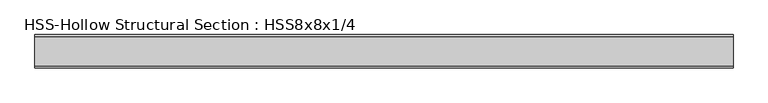
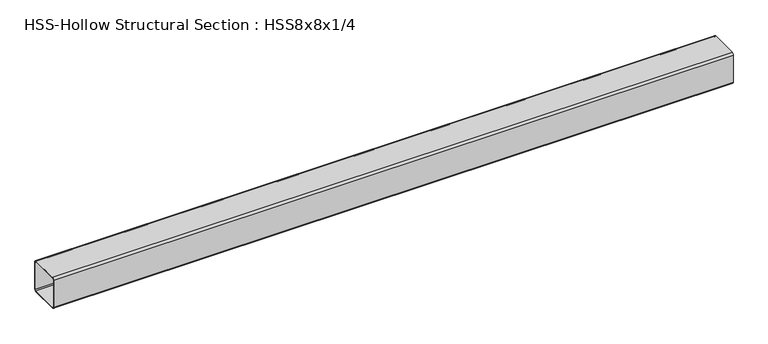
"""IFC4 building model written with IfcOpenShell, lengths in millimetres: member geometry, HSS-Hollow Structural Section : HSS8x8x1/4."""

from ifc_helpers import new_model, si_unit, point, frame, frame_2d, origin, place, context, project, spatial, polyline, circle_curve, trimmed, segment, composite_curve, outline, extrude, source, transform, mapped, element, save


def hss_hollow_structural_section_hss8x8x1_4_ff580eb8(model_context):
    return source(origin(), model_context, "Body", "SweptSolid", [
        extrude(outline(composite_curve([segment(polyline([(101.6, 89.7636), (101.6, -89.7636)]), True, "CONTINUOUS"), segment(trimmed(circle_curve(frame_2d((89.7636, -89.7636)), 11.8364), [point((101.6, -89.7636))], [point((89.7636, -101.6))], False, "CARTESIAN"), True, "CONTINUOUS"), segment(polyline([(89.7636, -101.6), (-89.7636, -101.6)]), True, "CONTINUOUS"), segment(trimmed(circle_curve(frame_2d((-89.7636, -89.7636)), 11.8364), [point((-89.7636, -101.6))], [point((-101.6, -89.7636))], False, "CARTESIAN"), True, "CONTINUOUS"), segment(polyline([(-101.6, -89.7636), (-101.6, 89.7636)]), True, "CONTINUOUS"), segment(trimmed(circle_curve(frame_2d((-89.7636, 89.7636)), 11.8364), [point((-101.6, 89.7636))], [point((-89.7636, 101.6))], False, "CARTESIAN"), True, "CONTINUOUS"), segment(polyline([(-89.7636, 101.6), (89.7636, 101.6)]), True, "CONTINUOUS"), segment(trimmed(circle_curve(frame_2d((89.7636, 89.7636)), 11.8364), [point((89.7636, 101.6))], [point((101.6, 89.7636))], False, "CARTESIAN"), True, "CONTINUOUS")], self_intersect=False), holes=[composite_curve([segment(trimmed(circle_curve(frame_2d((-89.7636, 89.7636)), 5.9182), [point((-89.7636, 95.6818))], [point((-95.6818, 89.7636))], True, "CARTESIAN"), True, "CONTINUOUS"), segment(polyline([(-95.6818, 89.7636), (-95.6818, -89.7636)]), True, "CONTINUOUS"), segment(trimmed(circle_curve(frame_2d((-89.7636, -89.7636)), 5.9182), [point((-95.6818, -89.7636))], [point((-89.7636, -95.6818))], True, "CARTESIAN"), True, "CONTINUOUS"), segment(polyline([(-89.7636, -95.6818), (89.7636, -95.6818)]), True, "CONTINUOUS"), segment(trimmed(circle_curve(frame_2d((89.7636, -89.7636)), 5.9182), [point((89.7636, -95.6818))], [point((95.6818, -89.7636))], True, "CARTESIAN"), True, "CONTINUOUS"), segment(polyline([(95.6818, -89.7636), (95.6818, 89.7636)]), True, "CONTINUOUS"), segment(trimmed(circle_curve(frame_2d((89.7636, 89.7636)), 5.9182), [point((95.6818, 89.7636))], [point((89.7636, 95.6818))], True, "CARTESIAN"), True, "CONTINUOUS"), segment(polyline([(89.7636, 95.6818), (-89.7636, 95.6818)]), True, "CONTINUOUS")], self_intersect=False)]), frame((-2067.7059474, 0.0, 0.0), z_axis=(1.0, 0.0, 0.0), x_axis=(0.0, 1.0, 0.0)), (0.0, 0.0, 1.0), 4275.6073367),
    ])


if __name__ == "__main__":
    model = new_model("IFC4")
    model_context = context("Model", 3, world=origin())
    ifc_project = project(units=[si_unit("LENGTHUNIT", "METRE", prefix="MILLI")], contexts=[model_context])
    site = spatial("IfcSite", under=ifc_project)
    building = spatial("IfcBuilding", under=site)
    placement = place(None, origin())
    hss_hollow_structural_section_hss8x8x1_4_shape = hss_hollow_structural_section_hss8x8x1_4_ff580eb8(model_context)
    element("IfcMember", 1, ObjectType="HSS-Hollow Structural Section : HSS8x8x1/4", at=placement, inside=building, context=model_context, shape_type="MappedRepresentation", body=[
        mapped(hss_hollow_structural_section_hss8x8x1_4_shape, transform((0.0, 0.0, 0.0), x_axis=(1.0, 0.0, 0.0), y_axis=(0.0, 1.0, 0.0), z_axis=(0.0, 0.0, 1.0))),
    ])
    save(model, "model.ifc")
